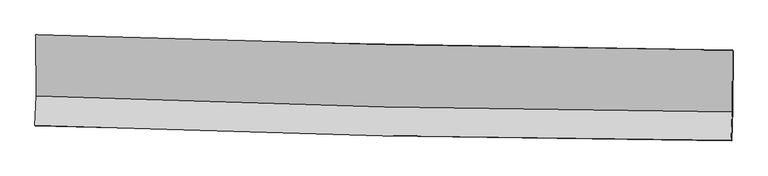
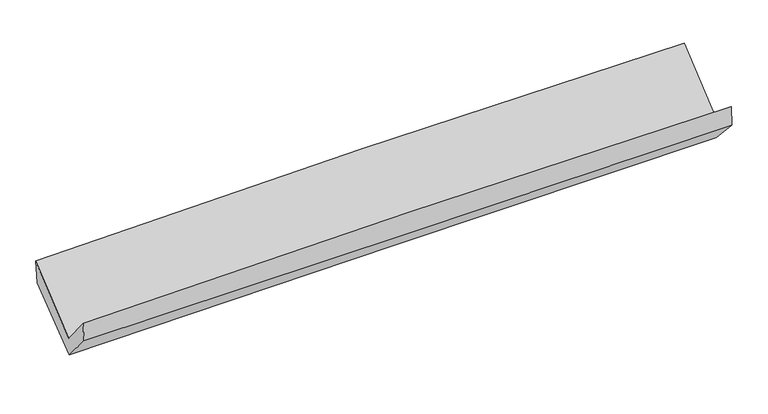
"""IFC4 building model written with IfcOpenShell, lengths in millimetres: proxy geometry."""

from ifc_helpers import new_model, si_unit, frame, origin, place, context, project, spatial, source, transform, mapped, element, save
from ifc_brep_helpers import plane_surface, spline_curve, spline_surface, advanced_brep


def generic_models_2f3c64f7(model_context):
    return source(origin(), model_context, "Body", "AdvancedBrep", [
        advanced_brep(
        [(-2975.2736909, -1146.5312584, 2175.3323332), (-2970.860697, -1670.4755618, 1732.8468236), (2961.6338797, -1804.2561426, 1868.4637537), (2962.4966755, -1275.3349425, 2315.1938877), (-2982.6561651, -1919.9159201, 2035.3143822), (2950.1539465, -2047.0238433, 2162.8401498), (-2978.2112992, -1926.3133878, 1867.7739596), (2954.0190939, -2051.5332355, 1984.544176), (-2966.4728508, -1671.6017142, 1570.2242175), (2965.8423461, -1784.6849928, 1696.8070136), (-2970.045377, -1165.9962731, 1971.8911907), (2966.8689982, -1289.0948758, 2105.5526217)],
        [
            (0, 1),
            (1, 2, spline_curve(3, [(-2970.860697, -1670.4755618, 1732.8468236), (-1983.236777656, -1708.926483126, 1780.72087883), (-995.143697107, -1739.299746022, 1815.959569753), (982.354140731, -1783.899375625, 1861.174759112), (1971.759252136, -1798.119639559, 1871.141711725), (2961.6338797, -1804.2561426, 1868.4637537)], [4, 2, 4], [0.0, 9.740589119401653, 19.48485699588178])),
            (2, 3),
            (3, 0, spline_curve(3, [(2962.4966755, -1275.3349425, 2315.1938877), (1971.847220458, -1267.317010371, 2319.402549705), (981.614953294, -1252.571107416, 2309.846952206), (-997.641520838, -1209.631466824, 2263.216043148), (-1986.666042187, -1181.442808419, 2226.151122422), (-2975.2736909, -1146.5312584, 2175.3323332)], [4, 2, 4], [0.0, 9.744267876480128, 19.48485699588178])),
            (1, 4),
            (4, 5, spline_curve(3, [(-2982.6561651, -1919.9159201, 2035.3143822), (-1995.020433292, -1958.117035635, 2082.885526831), (-1006.895160242, -1987.809527471, 2117.298724927), (970.70784032, -2030.185263103, 2159.817255006), (1960.185938177, -2042.862079202, 2167.912646062), (2950.1539465, -2047.0238433, 2162.8401498)], [4, 2, 4], [0.0, 9.736315449954928, 19.476308042938964])),
            (5, 2),
            (4, 6),
            (6, 7, spline_curve(3, [(-2978.2112992, -1926.3133878, 1867.7739596), (-1989.828442421, -1953.601557274, 1886.172538347), (-1001.377828247, -1977.679265465, 1905.10074192), (976.032251702, -2019.42163993, 1944.023746976), (1964.991768586, -2037.083881018, 1964.01894907), (2954.0190939, -2051.5332355, 1984.544176)], [4, 2, 4], [0.0, 9.734680752834059, 19.47303803131633])),
            (7, 5),
            (6, 8),
            (8, 9, spline_curve(3, [(-2966.4728508, -1671.6017142, 1570.2242175), (-1978.409287838, -1699.805259134, 1601.058558599), (-990.111286412, -1723.329742601, 1627.023223524), (987.32693558, -1761.027704005, 1669.221168083), (1976.467333093, -1775.197646603, 1685.450768505), (2965.8423461, -1784.6849928, 1696.8070136)], [4, 2, 4], [0.0, 9.733690235222872, 19.471056622002244])),
            (9, 7),
            (8, 10),
            (10, 11, spline_curve(3, [(-2970.045377, -1165.9962731, 1971.8911907), (-1980.797890263, -1186.538951326, 1998.309769426), (-991.524695213, -1207.066573096, 2022.655799716), (987.446743854, -1248.099452345, 2067.211175976), (1977.145006968, -1268.604697839, 2087.418955758), (2966.8689982, -1289.0948758, 2105.5526217)], [4, 2, 4], [0.0, 9.73777524648408, 19.479228187322935])),
            (11, 9),
            (10, 0),
            (3, 11),
        ],
        [
            spline_surface(3, 3, [[(-2975.2736909, -1146.5312584, 2175.3323332), (-1986.666042227, -1181.442808517, 2226.15112231), (-997.64152069, -1209.631466895, 2263.216043165), (981.614953145, -1252.571107344, 2309.846952189), (1971.847220452, -1267.317010304, 2319.402549565), (2962.4966755, -1275.3349425, 2315.1938877)], [(-2973.802692954, -1321.179359548, 2027.837163313), (-1985.52295411, -1357.270700075, 2077.674374514), (-996.808912821, -1386.187559964, 2114.130552039), (981.861349006, -1429.680530104, 2160.289554465), (1971.817897719, -1444.251220074, 2169.982270245), (2962.209076923, -1451.642009211, 2166.283843034)], [(-2972.331694946, -1495.827460652, 1880.341993487), (-1984.379865932, -1533.098591591, 1929.19762678), (-995.976304962, -1562.743652993, 1965.045060944), (982.107744856, -1606.789952824, 2010.732156771), (1971.788574916, -1621.185429813, 2020.561990923), (2961.921478277, -1627.949075889, 2017.373798366)], [(-2970.860697, -1670.4755618, 1732.8468236), (-1983.236777816, -1708.926483149, 1780.720878984), (-995.143697093, -1739.299746062, 1815.959569818), (982.354140716, -1783.899375585, 1861.174759047), (1971.759252183, -1798.119639583, 1871.141711602), (2961.6338797, -1804.2561426, 1868.4637537)]], [4, 4], [4, 2, 4], [0.0, 2.278008017468174], [0.0, 9.740589119401653, 19.48485699588178]),
            spline_surface(3, 3, [[(-2970.860697, -1670.4755618, 1732.8468236), (-1983.236777816, -1708.926483149, 1780.720878984), (-995.143697093, -1739.299746062, 1815.959569818), (982.354140716, -1783.899375585, 1861.174759047), (1971.759252183, -1798.119639583, 1871.141711602), (2961.6338797, -1804.2561426, 1868.4637537)], [(-2974.792519705, -1753.622347898, 1833.669343144), (-1987.164662938, -1791.990000672, 1881.442428329), (-999.060851506, -1822.136339818, 1916.405954878), (978.472040596, -1865.994671466, 1960.722257656), (1967.901480779, -1879.700452827, 1970.065356444), (2957.807235271, -1885.178709485, 1966.589219087)], [(-2978.724342395, -1836.769134002, 1934.491862656), (-1991.092548047, -1875.0535182, 1982.163977642), (-1002.978005892, -1904.972933581, 2016.852339968), (974.589940503, -1948.089967355, 2060.269756296), (1964.043709461, -1961.281266116, 2068.989001224), (2953.980590929, -1966.101276415, 2064.714684413)], [(-2982.6561651, -1919.9159201, 2035.3143822), (-1995.02043317, -1958.117035723, 2082.885526987), (-1006.895160305, -1987.809527337, 2117.298725028), (970.707840383, -2030.185263237, 2159.817254905), (1960.185938056, -2042.86207936, 2167.912646066), (2950.1539465, -2047.0238433, 2162.8401498)]], [4, 4], [4, 2, 4], [0.0, 1.2763122245269038], [0.0, 9.736315449954928, 19.476308042938964]),
            spline_surface(3, 3, [[(-2982.6561651, -1919.9159201, 2035.3143822), (-1995.02043317, -1958.117035723, 2082.885526987), (-1006.895160305, -1987.809527337, 2117.298725028), (970.707840383, -2030.185263237, 2159.817254905), (1960.185938056, -2042.86207936, 2167.912646066), (2950.1539465, -2047.0238433, 2162.8401498)], [(-2981.174543119, -1922.048409348, 1979.467574665), (-1993.289769558, -1956.611876235, 2017.314530758), (-1005.056049578, -1984.432773347, 2046.566063977), (972.482644165, -2026.597388845, 2087.886085674), (1961.78788156, -2040.936013305, 2099.948080411), (2951.442328991, -2048.526974047, 2103.408158528)], [(-2979.692921181, -1924.180898552, 1923.620767135), (-1991.559105988, -1955.106716704, 1951.743534533), (-1003.216938925, -1981.05601934, 1975.833402831), (974.257447871, -2023.009514437, 2015.954916347), (1963.389824991, -2039.009947208, 2031.983514772), (2952.730711409, -2050.030104753, 2043.976167272)], [(-2978.2112992, -1926.3133878, 1867.7739596), (-1989.828442375, -1953.601557216, 1886.172538304), (-1001.377828198, -1977.679265349, 1905.10074178), (976.032251653, -2019.421640046, 1944.023747116), (1964.991768494, -2037.083881153, 1964.018949117), (2954.0190939, -2051.5332355, 1984.544176)]], [4, 4], [4, 2, 4], [0.0, 0.7031490944062458], [0.0, 9.734680752834059, 19.47303803131633]),
            spline_surface(3, 3, [[(-2978.2112992, -1926.3133878, 1867.7739596), (-1989.828442375, -1953.601557216, 1886.172538304), (-1001.377828198, -1977.679265349, 1905.10074178), (976.032251653, -2019.421640046, 1944.023747116), (1964.991768494, -2037.083881153, 1964.018949117), (2954.0190939, -2051.5332355, 1984.544176)], [(-2974.298483069, -1841.409496588, 1768.590712217), (-1986.022057514, -1869.00279121, 1791.134545083), (-997.622314247, -1892.896091116, 1812.408235699), (979.797146274, -1933.29032797, 1852.422887377), (1968.816956671, -1949.788469621, 1871.162888875), (2957.960177967, -1962.583821246, 1888.631788531)], [(-2970.385666931, -1756.505605412, 1669.407464883), (-1982.215672645, -1784.404025239, 1696.09655191), (-993.866800298, -1808.112916953, 1719.715729704), (983.562040893, -1847.159015962, 1760.822027722), (1972.642144847, -1862.493058153, 1778.306828641), (2961.901262033, -1873.634407054, 1792.719401069)], [(-2966.4728508, -1671.6017142, 1570.2242175), (-1978.409287784, -1699.805259232, 1601.05855869), (-990.111286347, -1723.32974272, 1627.023223623), (987.326935515, -1761.027703886, 1669.221167983), (1976.467333024, -1775.197646622, 1685.450768399), (2965.8423461, -1784.6849928, 1696.8070136)]], [4, 4], [4, 2, 4], [0.0, 1.2375024812631141], [0.0, 9.733690235222872, 19.471056622002244]),
            spline_surface(3, 3, [[(-2966.4728508, -1671.6017142, 1570.2242175), (-1978.409287784, -1699.805259232, 1601.05855869), (-990.111286347, -1723.32974272, 1627.023223623), (987.326935515, -1761.027703886, 1669.221167983), (1976.467333024, -1775.197646622, 1685.450768399), (2965.8423461, -1784.6849928, 1696.8070136)], [(-2967.66369288, -1503.066567178, 1704.113208577), (-1979.205488647, -1528.716489893, 1733.475628953), (-990.582422629, -1551.242019566, 1758.900749037), (987.366871609, -1590.051619987, 1801.884503982), (1976.693224351, -1606.333330327, 1819.440164234), (2966.184563458, -1619.488287147, 1833.055549633)], [(-2968.85453492, -1334.531420122, 1838.002199623), (-1980.001689469, -1357.62772052, 1865.892699186), (-991.053558893, -1379.154296409, 1890.778274374), (987.406807722, -1419.075536085, 1934.547839906), (1976.919115704, -1437.469013993, 1953.429560069), (2966.526780842, -1454.291581453, 1969.304085667)], [(-2970.045377, -1165.9962731, 1971.8911907), (-1980.797890332, -1186.53895118, 1998.30976945), (-991.524695176, -1207.066573255, 2022.655799787), (987.446743816, -1248.099452187, 2067.211175905), (1977.145007031, -1268.604697698, 2087.418955905), (2966.8689982, -1289.0948758, 2105.5526217)]], [4, 4], [4, 2, 4], [0.0, 2.1319605238647887], [0.0, 9.73777524648408, 19.479228187322935]),
            spline_surface(3, 3, [[(-2970.045377, -1165.9962731, 1971.8911907), (-1980.797890332, -1186.53895118, 1998.30976945), (-991.524695176, -1207.066573255, 2022.655799787), (987.446743816, -1248.099452187, 2067.211175905), (1977.145007031, -1268.604697698, 2087.418955905), (2966.8689982, -1289.0948758, 2105.5526217)], [(-2971.788148273, -1159.507934841, 2039.704904884), (-1982.753940937, -1184.840236933, 2074.256887087), (-993.563637027, -1207.921537807, 2102.842547571), (985.502813579, -1249.590003911, 2148.089767991), (1975.379078162, -1268.175468565, 2164.746820445), (2965.41155729, -1284.508231365, 2175.433043687)], [(-2973.530919627, -1153.019596659, 2107.518619016), (-1984.709991622, -1183.141522764, 2150.204004673), (-995.602578838, -1208.776502343, 2183.02929538), (983.558883383, -1251.08055562, 2228.968360103), (1973.613149322, -1267.746239437, 2242.074685025), (2963.95411641, -1279.921586935, 2245.313465713)], [(-2975.2736909, -1146.5312584, 2175.3323332), (-1986.666042227, -1181.442808517, 2226.15112231), (-997.64152069, -1209.631466895, 2263.216043165), (981.614953145, -1252.571107344, 2309.846952189), (1971.847220452, -1267.317010304, 2319.402549565), (2962.4966755, -1275.3349425, 2315.1938877)]], [4, 4], [4, 2, 4], [0.0, 0.7929720091389509], [0.0, 9.743094269327141, 19.489868241860133]),
            plane_surface(frame((2960.1691567, -1708.6546721, 2022.2336004), z_axis=(0.9995464379256538, -0.020366855879606485, 0.022183543714129686), x_axis=(0.001598139509099358, 0.7714611086940079, 0.6362744720030199))),
            plane_surface(frame((-2973.9200133, -1583.4723526, 1892.2304845), z_axis=(-0.9995292371731749, 0.01444191564000557, -0.02706908030683829), x_axis=(0.02557419507994052, -0.09521274015360734, -0.9951283809933544))),
        ],
        [
            (0, [[1, 2, 3, 4]]),
            (1, [[5, 6, 7, -2]]),
            (2, [[8, 9, 10, -6]]),
            (3, [[11, 12, 13, -9]]),
            (4, [[14, 15, 16, -12]]),
            (5, [[17, -4, 18, -15]]),
            (6, [[-16, -18, -3, -7, -10, -13]]),
            (7, [[-17, -14, -11, -8, -5, -1]]),
        ],
    ),
    ])


if __name__ == "__main__":
    model = new_model("IFC4")
    model_context = context("Model", 3, world=origin())
    ifc_project = project(units=[si_unit("LENGTHUNIT", "METRE", prefix="MILLI")], contexts=[model_context])
    site = spatial("IfcSite", under=ifc_project)
    building = spatial("IfcBuilding", under=site)
    placement = place(None, origin())
    generic_models_shape = generic_models_2f3c64f7(model_context)
    element("IfcBuildingElementProxy", 1, Name="Generic Models", at=placement, inside=building, context=model_context, shape_type="MappedRepresentation", body=[
        mapped(generic_models_shape, transform((0.0, 0.0, 0.0), x_axis=(1.0, 0.0, 0.0), y_axis=(0.0, 1.0, 0.0), z_axis=(0.0, 0.0, 1.0))),
    ])
    save(model, "model.ifc")
